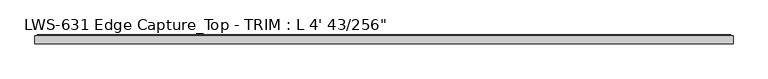
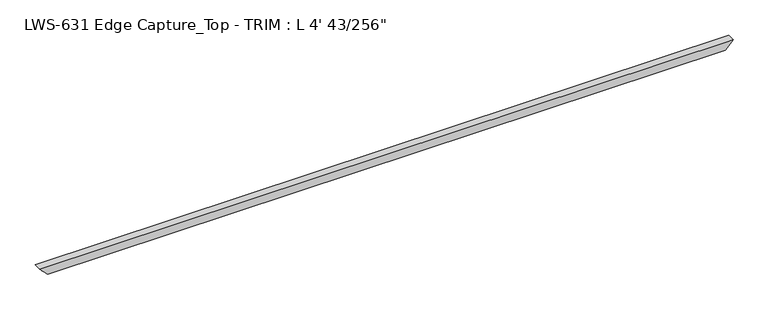
"""IFC4 building model written with IfcOpenShell, lengths in millimetres: proxy geometry."""

from ifc_helpers import new_model, si_unit, origin, place, context, project, spatial, faceted_brep, source, transform, mapped, element, save


def proxy_017bd605(model_context):
    return source(origin(), model_context, "Body", "Brep", [
        faceted_brep([(1223.4664063, -1.5875, 13.97), (0.0, -1.5875, 13.97), (0.0, -15.5575, 13.97), (1223.4664063, -15.5575, 13.97), (13.97, -15.5575, 0.0), (1209.4964063, -15.5575, 0.0), (13.97, -14.2875, 0.0), (1209.4964063, -14.2875, 0.0), (7.0485, -14.2875, 6.9215), (1216.4179063, -14.2875, 6.9215), (7.0485, -13.4671165, 6.9215), (1216.4179063, -13.4671165, 6.9215), (6.7945, -12.6853848, 7.1755), (1216.6719063, -12.6853848, 7.1755), (7.0485, -11.9036532, 6.9215), (1216.4179063, -11.9036532, 6.9215), (6.7945, -11.1219216, 7.1755), (1216.6719063, -11.1219216, 7.1755), (7.0485, -10.34019, 6.9215), (1216.4179063, -10.34019, 6.9215), (6.7945, -9.5584584, 7.1755), (1216.6719063, -9.5584584, 7.1755), (7.0485, -8.7767268, 6.9215), (1216.4179063, -8.7767268, 6.9215), (6.7945, -7.9949951, 7.1755), (1216.6719063, -7.9949951, 7.1755), (7.0485, -7.2132635, 6.9215), (1216.4179063, -7.2132635, 6.9215), (6.7945, -6.4315319, 7.1755), (1216.6719063, -6.4315319, 7.1755), (7.0485, -5.6498003, 6.9215), (1216.4179063, -5.6498003, 6.9215), (6.7945, -4.8680687, 7.1755), (1216.6719063, -4.8680687, 7.1755), (7.0485, -4.086337, 6.9215), (1216.4179063, -4.086337, 6.9215), (6.7945, -3.3046054, 7.1755), (1216.6719063, -3.3046054, 7.1755), (7.0485, -2.5228738, 6.9215), (1216.4179063, -2.5228738, 6.9215), (6.7945, -1.7411422, 7.1755), (1216.6719063, -1.7411422, 7.1755), (7.0485, -0.9594106, 6.9215), (1216.4179063, -0.9594106, 6.9215), (6.7945, 0.0, 7.1755), (1216.6719063, 0.0, 7.1755), (4.3815, 0.0, 9.5885), (1219.0849063, 0.0, 9.5885), (4.1275, -0.9594106, 9.8425), (1219.3389063, -0.9594106, 9.8425), (4.3815, -1.7411422, 9.5885), (1219.0849063, -1.7411422, 9.5885), (4.1275, -2.5228738, 9.8425), (1219.3389063, -2.5228738, 9.8425), (4.3815, -3.3046054, 9.5885), (1219.0849063, -3.3046054, 9.5885), (4.1275, -4.086337, 9.8425), (1219.3389063, -4.086337, 9.8425), (4.3815, -4.8680687, 9.5885), (1219.0849063, -4.8680687, 9.5885), (4.1275, -5.6498003, 9.8425), (1219.3389063, -5.6498003, 9.8425), (4.3815, -6.4315319, 9.5885), (1219.0849063, -6.4315319, 9.5885), (4.1275, -7.2132635, 9.8425), (1219.3389063, -7.2132635, 9.8425), (4.3815, -7.9949951, 9.5885), (1219.0849063, -7.9949951, 9.5885), (4.1275, -8.7767268, 9.8425), (1219.3389063, -8.7767268, 9.8425), (4.3815, -9.5584584, 9.5885), (1219.0849063, -9.5584584, 9.5885), (4.1275, -10.34019, 9.8425), (1219.3389063, -10.34019, 9.8425), (4.3815, -11.1219216, 9.5885), (1219.0849063, -11.1219216, 9.5885), (4.1275, -11.9036532, 9.8425), (1219.3389063, -11.9036532, 9.8425), (4.3815, -12.6853848, 9.5885), (1219.0849063, -12.6853848, 9.5885), (4.1275, -13.4671165, 9.8425), (1219.3389063, -13.4671165, 9.8425), (4.1275, -14.2875, 9.8425), (1219.3389063, -14.2875, 9.8425), (1.5875, -14.2875, 12.3825), (1221.8789063, -14.2875, 12.3825), (1.5875, -1.5875, 12.3825), (1221.8789063, -1.5875, 12.3825)], [[[0, 1, 2, 3]], [[3, 2, 4, 5]], [[5, 4, 6, 7]], [[7, 6, 8, 9]], [[9, 8, 10, 11]], [[11, 10, 12, 13]], [[13, 12, 14, 15]], [[15, 14, 16, 17]], [[17, 16, 18, 19]], [[19, 18, 20, 21]], [[21, 20, 22, 23]], [[23, 22, 24, 25]], [[25, 24, 26, 27]], [[27, 26, 28, 29]], [[29, 28, 30, 31]], [[31, 30, 32, 33]], [[33, 32, 34, 35]], [[35, 34, 36, 37]], [[37, 36, 38, 39]], [[39, 38, 40, 41]], [[41, 40, 42, 43]], [[43, 42, 44, 45]], [[45, 44, 46, 47]], [[47, 46, 48, 49]], [[49, 48, 50, 51]], [[51, 50, 52, 53]], [[53, 52, 54, 55]], [[55, 54, 56, 57]], [[57, 56, 58, 59]], [[59, 58, 60, 61]], [[61, 60, 62, 63]], [[63, 62, 64, 65]], [[65, 64, 66, 67]], [[67, 66, 68, 69]], [[69, 68, 70, 71]], [[71, 70, 72, 73]], [[73, 72, 74, 75]], [[75, 74, 76, 77]], [[77, 76, 78, 79]], [[79, 78, 80, 81]], [[81, 80, 82, 83]], [[83, 82, 84, 85]], [[85, 84, 86, 87]], [[1, 0, 87, 86]], [[0, 3, 5, 7, 9, 11, 13, 15, 17, 19, 21, 23, 25, 27, 29, 31, 33, 35, 37, 39, 41, 43, 45, 47, 49, 51, 53, 55, 57, 59, 61, 63, 65, 67, 69, 71, 73, 75, 77, 79, 81, 83, 85, 87]], [[2, 1, 86, 84, 82, 80, 78, 76, 74, 72, 70, 68, 66, 64, 62, 60, 58, 56, 54, 52, 50, 48, 46, 44, 42, 40, 38, 36, 34, 32, 30, 28, 26, 24, 22, 20, 18, 16, 14, 12, 10, 8, 6, 4]]]),
    ])


if __name__ == "__main__":
    model = new_model("IFC4")
    model_context = context("Model", 3, world=origin())
    ifc_project = project(units=[si_unit("LENGTHUNIT", "METRE", prefix="MILLI")], contexts=[model_context])
    site = spatial("IfcSite", under=ifc_project)
    building = spatial("IfcBuilding", under=site)
    placement = place(None, origin())
    proxy_shape = proxy_017bd605(model_context)
    element("IfcBuildingElementProxy", 1, Name="LWS-631 Edge Capture_Top - TRIM : L 4' 43/256\"", ObjectType="LWS-631 Edge Capture_Top - TRIM : L 4' 43/256\"", at=placement, inside=building, context=model_context, shape_type="MappedRepresentation", body=[
        mapped(proxy_shape, transform((0.0, 0.0, 0.0), x_axis=(1.0, 0.0, 0.0), y_axis=(0.0, 1.0, 0.0), z_axis=(0.0, 0.0, 1.0))),
    ])
    save(model, "model.ifc")
